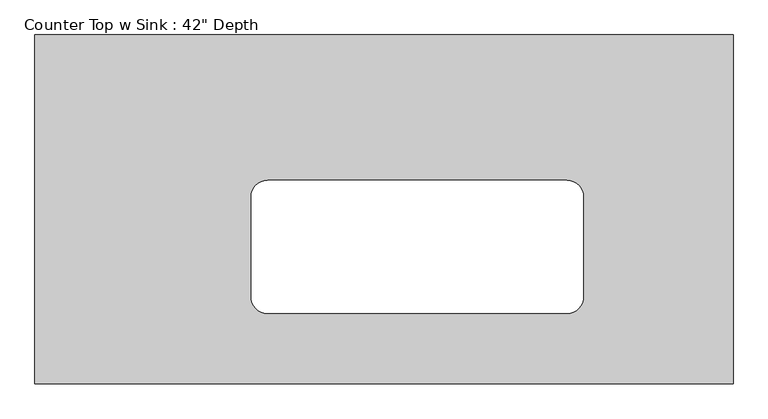
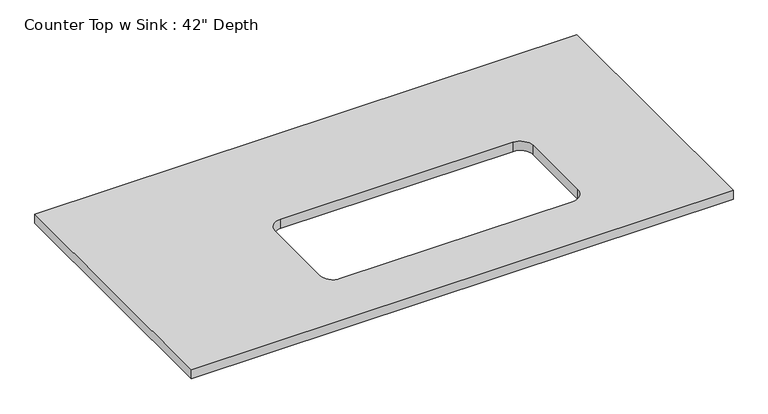
"""IFC4 building model written with IfcOpenShell, lengths in millimetres: furniture geometry."""

from ifc_helpers import new_model, si_unit, point, frame, frame_2d, origin, place, context, project, spatial, polyline, circle_curve, trimmed, segment, composite_curve, outline, extrude, source, transform, mapped, element, save


def furniture_f8417a92(model_context):
    return source(origin(), model_context, "Body", "SweptSolid", [
        extrude(outline(polyline([(933.1377049, 0.0), (933.1377049, -1066.8), (-1200.4622951, -1066.8), (-1200.4622951, 0.0), (933.1377049, 0.0)]), holes=[composite_curve([segment(polyline([(425.1377049, -444.5), (-489.2622951, -444.5)]), True, "CONTINUOUS"), segment(trimmed(circle_curve(frame_2d((-489.2622951, -495.3)), 50.8), [point((-489.2622951, -444.5))], [point((-540.0622951, -495.3))], True, "CARTESIAN"), True, "CONTINUOUS"), segment(polyline([(-540.0622951, -495.3), (-540.0622951, -800.1)]), True, "CONTINUOUS"), segment(trimmed(circle_curve(frame_2d((-489.2622951, -800.1)), 50.8), [point((-540.0622951, -800.1))], [point((-489.2622951, -850.9))], True, "CARTESIAN"), True, "CONTINUOUS"), segment(polyline([(-489.2622951, -850.9), (425.1377049, -850.9)]), True, "CONTINUOUS"), segment(trimmed(circle_curve(frame_2d((425.1377049, -800.1)), 50.8), [point((425.1377049, -850.9))], [point((475.9377049, -800.1))], True, "CARTESIAN"), True, "CONTINUOUS"), segment(polyline([(475.9377049, -800.1), (475.9377049, -495.3)]), True, "CONTINUOUS"), segment(trimmed(circle_curve(frame_2d((425.1377049, -495.3)), 50.8), [point((475.9377049, -495.3))], [point((425.1377049, -444.5))], True, "CARTESIAN"), True, "CONTINUOUS")], self_intersect=False)]), frame((0.0, 0.0, 876.3), z_axis=(0.0, 0.0, 1.0), x_axis=(1.0, 0.0, 0.0)), (0.0, 0.0, 1.0), 38.1),
    ])


if __name__ == "__main__":
    model = new_model("IFC4")
    model_context = context("Model", 3, world=origin())
    ifc_project = project(units=[si_unit("LENGTHUNIT", "METRE", prefix="MILLI")], contexts=[model_context])
    site = spatial("IfcSite", under=ifc_project)
    building = spatial("IfcBuilding", under=site)
    placement = place(None, origin())
    furniture_shape = furniture_f8417a92(model_context)
    element("IfcFurniture", 1, ObjectType="Counter Top w Sink : 42\" Depth", at=placement, inside=building, context=model_context, shape_type="MappedRepresentation", body=[
        mapped(furniture_shape, transform((0.0, 0.0, 0.0), x_axis=(1.0, 0.0, 0.0), y_axis=(0.0, 1.0, 0.0), z_axis=(0.0, 0.0, 1.0))),
    ])
    save(model, "model.ifc")
